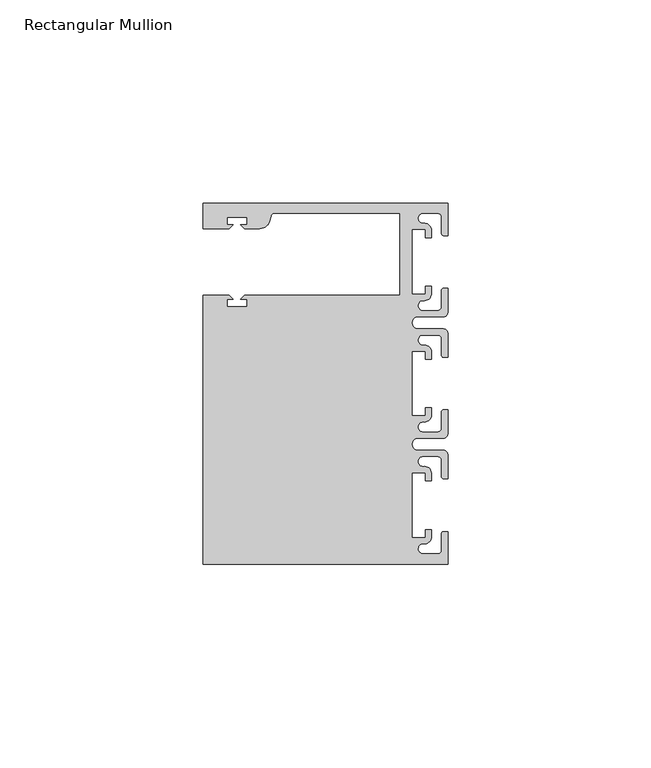
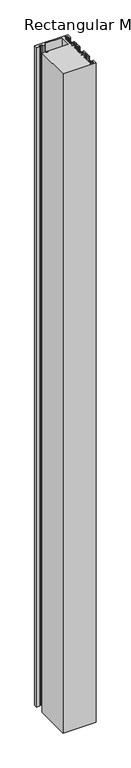
"""IFC4 building model written with IfcOpenShell, lengths in millimetres: member geometry, Rectangular Mullion."""

from ifc_helpers import new_model, si_unit, point, frame, frame_2d, origin, place, context, project, spatial, polyline, circle_curve, trimmed, segment, composite_curve, outline, extrude, source, transform, mapped, element, save


def rectangular_mullion_f384b9a9(model_context):
    return source(origin(), model_context, "Body", "SweptSolid", [
        extrude(outline(composite_curve([segment(polyline([(0.0, 44.45), (0.0, 36.4500318), (-1.0, 36.4500318)]), True, "CONTINUOUS"), segment(trimmed(circle_curve(frame_2d((-1.0, 36.9500318)), 0.5), [point((-1.0, 36.4500318))], [point((-1.5, 36.9500318))], False, "CARTESIAN"), True, "CONTINUOUS"), segment(polyline([(-1.5, 36.9500318), (-1.5, 40.95)]), True, "CONTINUOUS"), segment(trimmed(circle_curve(frame_2d((-2.5, 40.95)), 1.0), [point((-1.5, 40.95))], [point((-2.5, 41.95))], True, "CARTESIAN"), True, "CONTINUOUS"), segment(polyline([(-2.5, 41.95), (-6.0499986, 41.95)]), True, "CONTINUOUS"), segment(trimmed(circle_curve(frame_2d((-6.0499986, 40.6999986)), 1.2500014), [point((-6.0499986, 41.95))], [point((-5.9027291, 39.4587029))], True, "CARTESIAN"), True, "CONTINUOUS"), segment(trimmed(circle_curve(frame_2d((-5.7186029, 37.7499972)), 1.7185975), [point((-5.9027291, 39.4587029))], [point((-4.0000054, 37.7499972))], False, "CARTESIAN"), True, "CONTINUOUS"), segment(polyline([(-4.0000054, 37.7499972), (-4.0000054, 35.9500318), (-5.5, 35.9500318), (-5.5, 37.9499972), (-8.8585786, 37.9499972), (-8.8585786, 21.9499956), (-5.5, 21.9499956), (-5.5, 23.9499611), (-3.9999946, 23.9499611), (-3.9999946, 22.0272972)]), True, "CONTINUOUS"), segment(trimmed(circle_curve(frame_2d((-5.7543344, 22.1865598)), 1.761554), [point((-3.9999946, 22.0272972))], [point((-6.0499986, 20.4499956))], False, "CARTESIAN"), True, "CONTINUOUS"), segment(trimmed(circle_curve(frame_2d((-6.0499986, 19.1999942)), 1.2500014), [point((-6.0499986, 20.4499956))], [point((-6.0499986, 17.9499929))], True, "CARTESIAN"), True, "CONTINUOUS"), segment(polyline([(-6.0499986, 17.9499929), (-2.5, 17.9499929)]), True, "CONTINUOUS"), segment(trimmed(circle_curve(frame_2d((-2.5, 18.9499929)), 1.0), [point((-2.5, 17.9499929))], [point((-1.5, 18.9499929))], True, "CARTESIAN"), True, "CONTINUOUS"), segment(polyline([(-1.5, 18.9499929), (-1.5, 22.9499611)]), True, "CONTINUOUS"), segment(trimmed(circle_curve(frame_2d((-1.0, 22.9499611)), 0.5), [point((-1.5, 22.9499611))], [point((-1.0, 23.4499611))], False, "CARTESIAN"), True, "CONTINUOUS"), segment(polyline([(-1.0, 23.4499611), (0.0, 23.4499611), (0.0, 17.4499929)]), True, "CONTINUOUS"), segment(trimmed(circle_curve(frame_2d((-1.0, 17.4499929)), 1.0), [point((0.0, 17.4499929))], [point((-1.0, 16.4499929))], False, "CARTESIAN"), True, "CONTINUOUS"), segment(polyline([(-1.0, 16.4499929), (-7.3, 16.4499929)]), True, "CONTINUOUS"), segment(trimmed(circle_curve(frame_2d((-7.3, 14.9499929)), 1.5), [point((-7.3, 16.4499929))], [point((-7.3046244, 13.45))], True, "CARTESIAN"), True, "CONTINUOUS"), segment(polyline([(-7.3046244, 13.45), (-1.0, 13.45)]), True, "CONTINUOUS"), segment(trimmed(circle_curve(frame_2d((-1.0, 12.45)), 1.0), [point((-1.0, 13.45))], [point((0.0, 12.45))], False, "CARTESIAN"), True, "CONTINUOUS"), segment(polyline([(0.0, 12.45), (0.0, 6.4500354), (-0.9999964, 6.4500354)]), True, "CONTINUOUS"), segment(trimmed(circle_curve(frame_2d((-0.9999964, 6.9500354)), 0.5), [point((-0.9999964, 6.4500354))], [point((-1.4999964, 6.9500354))], False, "CARTESIAN"), True, "CONTINUOUS"), segment(polyline([(-1.4999964, 6.9500354), (-1.4999964, 10.95)]), True, "CONTINUOUS"), segment(trimmed(circle_curve(frame_2d((-2.4999964, 10.95)), 1.0), [point((-1.4999964, 10.95))], [point((-2.4999964, 11.95))], True, "CARTESIAN"), True, "CONTINUOUS"), segment(polyline([(-2.4999964, 11.95), (-6.0499986, 11.95)]), True, "CONTINUOUS"), segment(trimmed(circle_curve(frame_2d((-6.0499986, 10.6999986)), 1.2500014), [point((-6.0499986, 11.95))], [point((-6.0499986, 9.4499972))], True, "CARTESIAN"), True, "CONTINUOUS"), segment(trimmed(circle_curve(frame_2d((-5.7298824, 7.7499972)), 1.729877), [point((-6.0499986, 9.4499972))], [point((-4.0000054, 7.7499972))], False, "CARTESIAN"), True, "CONTINUOUS"), segment(polyline([(-4.0000054, 7.7499972), (-4.0000054, 5.9500318), (-5.5, 5.9500318), (-5.5, 7.9499972), (-8.8, 7.9499972), (-8.8, -7.9499972), (-5.5, -7.9499972), (-5.5, -5.9500318), (-4.0000054, -5.9500318), (-4.0000054, -7.7499972)]), True, "CONTINUOUS"), segment(trimmed(circle_curve(frame_2d((-5.7298824, -7.7499972)), 1.729877), [point((-4.0000054, -7.7499972))], [point((-6.0499986, -9.4499972))], False, "CARTESIAN"), True, "CONTINUOUS"), segment(trimmed(circle_curve(frame_2d((-6.0499986, -10.6999986)), 1.2500014), [point((-6.0499986, -9.4499972))], [point((-6.0499986, -11.95))], True, "CARTESIAN"), True, "CONTINUOUS"), segment(polyline([(-6.0499986, -11.95), (-2.4999964, -11.95)]), True, "CONTINUOUS"), segment(trimmed(circle_curve(frame_2d((-2.4999964, -10.95)), 1.0), [point((-2.4999964, -11.95))], [point((-1.4999964, -10.95))], True, "CARTESIAN"), True, "CONTINUOUS"), segment(polyline([(-1.4999964, -10.95), (-1.4999964, -6.9500354)]), True, "CONTINUOUS"), segment(trimmed(circle_curve(frame_2d((-0.9999964, -6.9500354)), 0.5), [point((-1.4999964, -6.9500354))], [point((-0.9999964, -6.4500354))], False, "CARTESIAN"), True, "CONTINUOUS"), segment(polyline([(-0.9999964, -6.4500354), (0.0, -6.4500354), (0.0, -12.45)]), True, "CONTINUOUS"), segment(trimmed(circle_curve(frame_2d((-1.0, -12.45)), 1.0), [point((0.0, -12.45))], [point((-1.0, -13.45))], False, "CARTESIAN"), True, "CONTINUOUS"), segment(polyline([(-1.0, -13.45), (-7.3046244, -13.45)]), True, "CONTINUOUS"), segment(trimmed(circle_curve(frame_2d((-7.3, -14.9499929)), 1.5), [point((-7.3046244, -13.45))], [point((-7.3, -16.4499929))], True, "CARTESIAN"), True, "CONTINUOUS"), segment(polyline([(-7.3, -16.4499929), (-1.0, -16.4499929)]), True, "CONTINUOUS"), segment(trimmed(circle_curve(frame_2d((-1.0, -17.4499929)), 1.0), [point((-1.0, -16.4499929))], [point((0.0, -17.4499929))], False, "CARTESIAN"), True, "CONTINUOUS"), segment(polyline([(0.0, -17.4499929), (0.0, -23.4499611), (-1.0, -23.4499611)]), True, "CONTINUOUS"), segment(trimmed(circle_curve(frame_2d((-1.0, -22.9499611)), 0.5), [point((-1.0, -23.4499611))], [point((-1.5, -22.9499611))], False, "CARTESIAN"), True, "CONTINUOUS"), segment(polyline([(-1.5, -22.9499611), (-1.5, -18.9499929)]), True, "CONTINUOUS"), segment(trimmed(circle_curve(frame_2d((-2.5, -18.9499929)), 1.0), [point((-1.5, -18.9499929))], [point((-2.5, -17.9499929))], True, "CARTESIAN"), True, "CONTINUOUS"), segment(polyline([(-2.5, -17.9499929), (-6.0499986, -17.9499929)]), True, "CONTINUOUS"), segment(trimmed(circle_curve(frame_2d((-6.0499986, -19.1999942)), 1.2500014), [point((-6.0499986, -17.9499929))], [point((-6.0499986, -20.4499956))], True, "CARTESIAN"), True, "CONTINUOUS"), segment(trimmed(circle_curve(frame_2d((-5.7543344, -22.1865598)), 1.761554), [point((-6.0499986, -20.4499956))], [point((-3.9999946, -22.0272972))], False, "CARTESIAN"), True, "CONTINUOUS"), segment(polyline([(-3.9999946, -22.0272972), (-3.9999946, -23.9499611), (-5.5, -23.9499611), (-5.5, -21.9499956), (-8.8585786, -21.9499956), (-8.8585786, -37.9499972), (-5.5, -37.9499972), (-5.5, -35.9500318), (-4.0000054, -35.9500318), (-4.0000054, -37.7499972)]), True, "CONTINUOUS"), segment(trimmed(circle_curve(frame_2d((-5.7186029, -37.7499972)), 1.7185975), [point((-4.0000054, -37.7499972))], [point((-5.9027291, -39.4587029))], False, "CARTESIAN"), True, "CONTINUOUS"), segment(trimmed(circle_curve(frame_2d((-6.0499986, -40.6999986)), 1.2500014), [point((-5.9027291, -39.4587029))], [point((-6.0499986, -41.95))], True, "CARTESIAN"), True, "CONTINUOUS"), segment(polyline([(-6.0499986, -41.95), (-2.5, -41.95)]), True, "CONTINUOUS"), segment(trimmed(circle_curve(frame_2d((-2.5, -40.95)), 1.0), [point((-2.5, -41.95))], [point((-1.5, -40.95))], True, "CARTESIAN"), True, "CONTINUOUS"), segment(polyline([(-1.5, -40.95), (-1.5, -36.9500318)]), True, "CONTINUOUS"), segment(trimmed(circle_curve(frame_2d((-1.0, -36.9500318)), 0.5), [point((-1.5, -36.9500318))], [point((-1.0, -36.4500318))], False, "CARTESIAN"), True, "CONTINUOUS"), segment(polyline([(-1.0, -36.4500318), (0.0, -36.4500318), (0.0, -44.45), (-60.325, -44.45), (-60.325, 21.749999), (-53.8507562, 21.749999), (-52.8507405, 20.7499834), (-54.4250134, 20.7499834), (-54.4250134, 18.949936), (-49.4250186, 18.949936), (-49.4250186, 20.7499834), (-50.999256, 20.7499834), (-49.9992434, 21.7499959), (-11.8, 21.7499959), (-11.8, 41.95), (-42.6099329, 41.95)]), True, "CONTINUOUS"), segment(trimmed(circle_curve(frame_2d((-42.6099329, 40.9500001)), 1.0), [point((-42.6099329, 41.95))], [point((-43.5758588, 41.2088192))], True, "CARTESIAN"), True, "CONTINUOUS"), segment(polyline([(-43.5758588, 41.2088192), (-43.8989707, 40.002949)]), True, "CONTINUOUS"), segment(trimmed(circle_curve(frame_2d((-46.3137853, 40.6499966)), 2.5), [point((-43.8989707, 40.002949))], [point((-46.3137853, 38.1499966))], False, "CARTESIAN"), True, "CONTINUOUS"), segment(polyline([(-46.3137853, 38.1499966), (-49.9992503, 38.1499966), (-50.999256, 39.1500023), (-49.4249831, 39.1500023), (-49.4249831, 40.9498819), (-54.4249778, 40.9498819), (-54.4249778, 39.1500023), (-52.8507405, 39.1500023), (-53.8507531, 38.1499897), (-60.3249977, 38.1499897), (-60.3249977, 44.45), (0.0, 44.45)]), True, "CONTINUOUS")], self_intersect=False)), frame((0.0, 0.0, -1270.0), z_axis=(0.0, 0.0, 1.0), x_axis=(1.0, 0.0, 0.0)), (0.0, 0.0, 1.0), 1270.0),
    ])


if __name__ == "__main__":
    model = new_model("IFC4")
    model_context = context("Model", 3, world=origin())
    ifc_project = project(units=[si_unit("LENGTHUNIT", "METRE", prefix="MILLI")], contexts=[model_context])
    site = spatial("IfcSite", under=ifc_project)
    building = spatial("IfcBuilding", under=site)
    placement = place(None, origin())
    rectangular_mullion_shape = rectangular_mullion_f384b9a9(model_context)
    element("IfcMember", 1, ObjectType="Rectangular Mullion", at=placement, inside=building, context=model_context, shape_type="MappedRepresentation", body=[
        mapped(rectangular_mullion_shape, transform((0.0, 0.0, 0.0), x_axis=(1.0, 0.0, 0.0), y_axis=(0.0, 1.0, 0.0), z_axis=(0.0, 0.0, 1.0))),
    ])
    save(model, "model.ifc")
